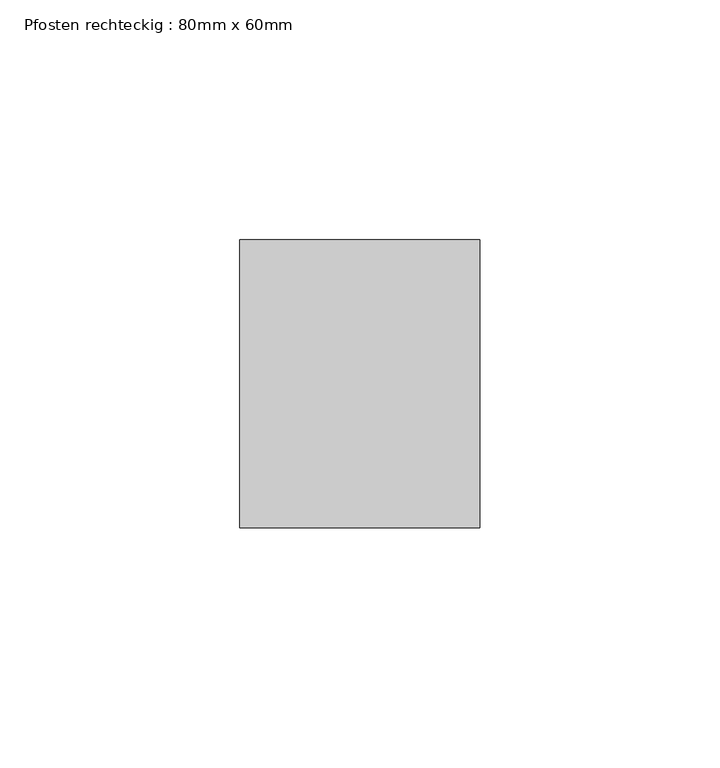
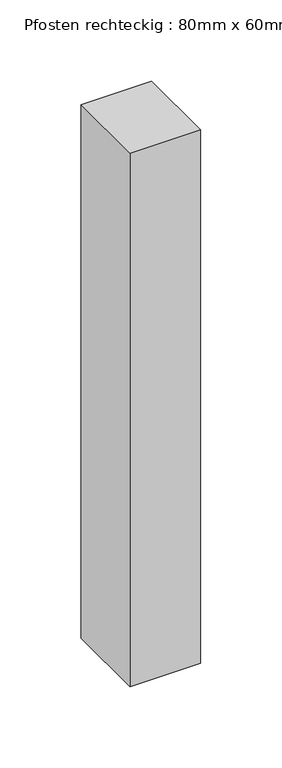
"""IFC4 building model written with IfcOpenShell, lengths in millimetres: member geometry, Pfosten rechteckig : 80mm x 60mm."""

from ifc_helpers import new_model, si_unit, frame, origin, place, context, project, spatial, polyline, outline, extrude, source, transform, mapped, element, save


def pfosten_rechteckig_80mm_x_60mm_77328b7d(model_context):
    return source(origin(), model_context, "Body", "SweptSolid", [
        extrude(outline(polyline([(0.0, 30.0), (0.0, -30.0), (-50.0, -30.0), (-50.0, 30.0), (0.0, 30.0)])), frame((0.0, 0.0, -400.0), z_axis=(0.0, 0.0, 1.0), x_axis=(1.0, 0.0, 0.0)), (0.0, 0.0, 1.0), 400.0),
    ])


if __name__ == "__main__":
    model = new_model("IFC4")
    model_context = context("Model", 3, world=origin())
    ifc_project = project(units=[si_unit("LENGTHUNIT", "METRE", prefix="MILLI")], contexts=[model_context])
    site = spatial("IfcSite", under=ifc_project)
    building = spatial("IfcBuilding", under=site)
    placement = place(None, origin())
    pfosten_rechteckig_80mm_x_60mm_shape = pfosten_rechteckig_80mm_x_60mm_77328b7d(model_context)
    element("IfcMember", 1, ObjectType="Pfosten rechteckig : 80mm x 60mm", at=placement, inside=building, context=model_context, shape_type="MappedRepresentation", body=[
        mapped(pfosten_rechteckig_80mm_x_60mm_shape, transform((0.0, 0.0, 0.0), x_axis=(1.0, 0.0, 0.0), y_axis=(0.0, 1.0, 0.0), z_axis=(0.0, 0.0, 1.0))),
    ])
    save(model, "model.ifc")
